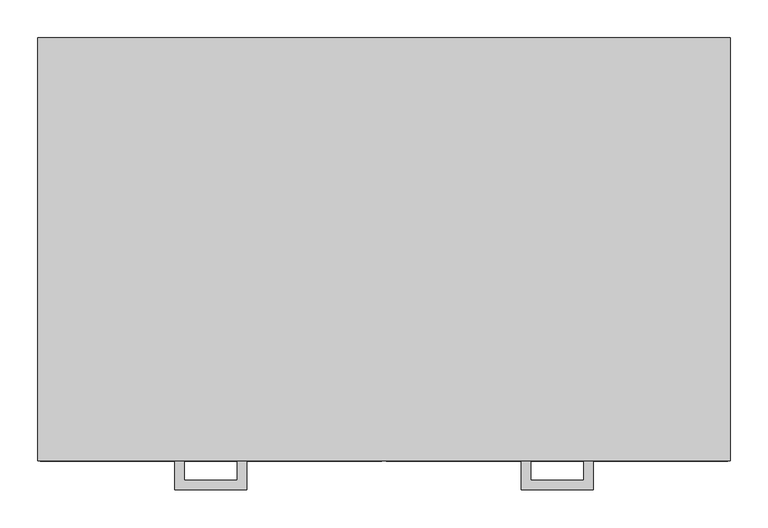
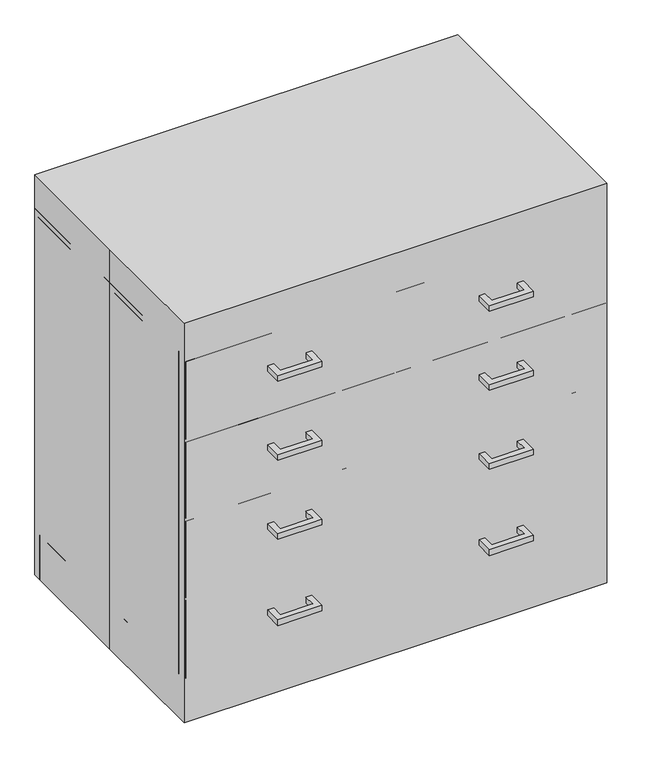
"""IFC4 building model written with IfcOpenShell, lengths in millimetres: proxy geometry."""

from ifc_helpers import new_model, si_unit, frame, origin, origin_with_axes, place, context, project, spatial, polyline, outline, extrude, source, transform, mapped, element, save


def specialty_equipment_730f7dde(model_context):
    return source(origin(), model_context, "Body", "SweptSolid", [
        extrude(outline(polyline([(-180.975, -317.5), (-276.225, -317.5), (-276.225, -279.4), (-263.5409299, -279.4), (-263.5409299, -304.8159299), (-193.6590701, -304.8159299), (-193.6590701, -279.4), (-180.975, -279.4), (-180.975, -317.5)])), frame((0.0, 0.0, 379.4125), z_axis=(0.0, 0.0, 1.0), x_axis=(1.0, 0.0, 0.0)), (0.0, 0.0, 1.0), 12.7),
        extrude(outline(polyline([(-180.975, -317.5), (-276.225, -317.5), (-276.225, -279.4), (-263.5409299, -279.4), (-263.5409299, -304.8159299), (-193.6590701, -304.8159299), (-193.6590701, -279.4), (-180.975, -279.4), (-180.975, -317.5)])), frame((0.0, 0.0, 560.3793692), z_axis=(0.0, 0.0, 1.0), x_axis=(1.0, 0.0, 0.0)), (0.0, 0.0, 1.0), 12.7),
        extrude(outline(polyline([(-180.975, -317.5), (-276.225, -317.5), (-276.225, -279.4), (-263.5409299, -279.4), (-263.5409299, -304.8159299), (-193.6590701, -304.8159299), (-193.6590701, -279.4), (-180.975, -279.4), (-180.975, -317.5)])), frame((0.0, 0.0, 182.5787617), z_axis=(0.0, 0.0, 1.0), x_axis=(1.0, 0.0, 0.0)), (0.0, 0.0, 1.0), 12.7),
        extrude(outline(polyline([(-180.975, -317.5), (-276.225, -317.5), (-276.225, -279.4), (-263.5409299, -279.4), (-263.5409299, -304.8159299), (-193.6590701, -304.8159299), (-193.6590701, -279.4), (-180.975, -279.4), (-180.975, -317.5)])), frame((0.0, 0.0, 741.3462383), z_axis=(0.0, 0.0, 1.0), x_axis=(1.0, 0.0, 0.0)), (0.0, 0.0, 1.0), 12.7),
        extrude(outline(polyline([(180.975, -317.5), (180.975, -279.4), (193.6590701, -279.4), (193.6590701, -304.8159299), (263.5409299, -304.8159299), (263.5409299, -279.4), (276.225, -279.4), (276.225, -317.5), (180.975, -317.5)])), frame((0.0, 0.0, 379.4125), z_axis=(0.0, 0.0, 1.0), x_axis=(1.0, 0.0, 0.0)), (0.0, 0.0, 1.0), 12.7),
        extrude(outline(polyline([(180.975, -317.5), (180.975, -279.4), (193.6590701, -279.4), (193.6590701, -304.8159299), (263.5409299, -304.8159299), (263.5409299, -279.4), (276.225, -279.4), (276.225, -317.5), (180.975, -317.5)])), frame((0.0, 0.0, 560.3793692), z_axis=(0.0, 0.0, 1.0), x_axis=(1.0, 0.0, 0.0)), (0.0, 0.0, 1.0), 12.7),
        extrude(outline(polyline([(180.975, -317.5), (180.975, -279.4), (193.6590701, -279.4), (193.6590701, -304.8159299), (263.5409299, -304.8159299), (263.5409299, -279.4), (276.225, -279.4), (276.225, -317.5), (180.975, -317.5)])), frame((0.0, 0.0, 182.5787617), z_axis=(0.0, 0.0, 1.0), x_axis=(1.0, 0.0, 0.0)), (0.0, 0.0, 1.0), 12.7),
        extrude(outline(polyline([(180.975, -317.5), (180.975, -279.4), (193.6590701, -279.4), (193.6590701, -304.8159299), (263.5409299, -304.8159299), (263.5409299, -279.4), (276.225, -279.4), (276.225, -317.5), (180.975, -317.5)])), frame((0.0, 0.0, 741.3462383), z_axis=(0.0, 0.0, 1.0), x_axis=(1.0, 0.0, 0.0)), (0.0, 0.0, 1.0), 12.7),
        extrude(outline(polyline([(-457.2, 279.4), (457.2, 279.4), (457.2, -279.4), (-457.2, -279.4), (-457.2, 0.0), (-457.2, 279.4)])), origin_with_axes(), (0.0, 0.0, 1.0), 914.4),
        extrude(outline(polyline([(438.15, 279.4), (438.15, -260.35), (-438.15, -260.35), (-438.15, 279.4), (438.15, 279.4)])), frame((0.0, 0.0, 120.7166954), z_axis=(0.0, 0.0, 1.0), x_axis=(1.0, 0.0, 0.0)), (0.0, 0.0, 1.0), 704.7507813),
        extrude(outline(polyline([(-3.175, -279.4), (-454.025, -279.4), (-454.025, -260.35), (-3.175, -260.35), (-3.175, -279.4)])), frame((0.0, 0.0, 285.7418692), z_axis=(0.0, 0.0, 1.0), x_axis=(1.0, 0.0, 0.0)), (0.0, 0.0, 1.0), 174.6168692),
        extrude(outline(polyline([(-3.175, -279.4), (-454.025, -279.4), (-454.025, -260.35), (-3.175, -260.35), (-3.175, -279.4)])), frame((0.0, 0.0, 466.7087383), z_axis=(0.0, 0.0, 1.0), x_axis=(1.0, 0.0, 0.0)), (0.0, 0.0, 1.0), 174.6168692),
        extrude(outline(polyline([(-3.175, -279.4), (-454.025, -279.4), (-454.025, -260.35), (-3.175, -260.35), (-3.175, -279.4)])), frame((0.0, 0.0, 101.6), z_axis=(0.0, 0.0, 1.0), x_axis=(1.0, 0.0, 0.0)), (0.0, 0.0, 1.0), 177.7918692),
        extrude(outline(polyline([(-438.15, 279.4), (-438.15, -260.35), (-457.2, -260.35), (-457.2, 279.4), (-438.15, 279.4)])), frame((0.0, 0.0, 101.6), z_axis=(0.0, 0.0, 1.0), x_axis=(1.0, 0.0, 0.0)), (0.0, 0.0, 1.0), 723.8674767),
        extrude(outline(polyline([(-3.175, -279.4), (-454.025, -279.4), (-454.025, -260.35), (-3.175, -260.35), (-3.175, -279.4)])), frame((0.0, 0.0, 647.6756075), z_axis=(0.0, 0.0, 1.0), x_axis=(1.0, 0.0, 0.0)), (0.0, 0.0, 1.0), 177.7918692),
        extrude(outline(polyline([(454.025, -279.4), (3.175, -279.4), (3.175, -260.35), (454.025, -260.35), (454.025, -279.4)])), frame((0.0, 0.0, 285.7418692), z_axis=(0.0, 0.0, 1.0), x_axis=(1.0, 0.0, 0.0)), (0.0, 0.0, 1.0), 174.6168692),
        extrude(outline(polyline([(454.025, -279.4), (3.175, -279.4), (3.175, -260.35), (454.025, -260.35), (454.025, -279.4)])), frame((0.0, 0.0, 466.7087383), z_axis=(0.0, 0.0, 1.0), x_axis=(1.0, 0.0, 0.0)), (0.0, 0.0, 1.0), 174.6168692),
        extrude(outline(polyline([(454.025, -279.4), (3.175, -279.4), (3.175, -260.35), (454.025, -260.35), (454.025, -279.4)])), frame((0.0, 0.0, 101.6), z_axis=(0.0, 0.0, 1.0), x_axis=(1.0, 0.0, 0.0)), (0.0, 0.0, 1.0), 177.7918692),
        extrude(outline(polyline([(-457.2, -184.15), (-457.2, 279.4), (-438.15, 279.4), (-438.15, -184.15), (-457.2, -184.15)])), origin_with_axes(), (0.0, 0.0, 1.0), 101.6),
        extrude(outline(polyline([(438.15, -184.15), (438.15, 279.4), (457.2, 279.4), (457.2, -184.15), (438.15, -184.15)])), origin_with_axes(), (0.0, 0.0, 1.0), 101.6),
        extrude(outline(polyline([(438.15, -260.35), (438.15, 279.4), (457.2, 279.4), (457.2, -260.35), (438.15, -260.35)])), frame((0.0, 0.0, 101.6), z_axis=(0.0, 0.0, 1.0), x_axis=(1.0, 0.0, 0.0)), (0.0, 0.0, 1.0), 723.8674767),
        extrude(outline(polyline([(-457.2, -260.35), (-457.2, 279.4), (-438.15, 279.4), (-438.15, -260.35), (-457.2, -260.35)])), frame((0.0, 0.0, 101.6), z_axis=(0.0, 0.0, 1.0), x_axis=(1.0, 0.0, 0.0)), (0.0, 0.0, 1.0), 723.8674767),
        extrude(outline(polyline([(454.025, -279.4), (3.175, -279.4), (3.175, -260.35), (454.025, -260.35), (454.025, -279.4)])), frame((0.0, 0.0, 647.6756075), z_axis=(0.0, 0.0, 1.0), x_axis=(1.0, 0.0, 0.0)), (0.0, 0.0, 1.0), 177.7918692),
        extrude(outline(polyline([(457.2, 279.4), (457.2, -260.35), (-457.2, -260.35), (-457.2, 279.4), (457.2, 279.4)])), frame((0.0, 0.0, 825.4674767), z_axis=(0.0, 0.0, 1.0), x_axis=(1.0, 0.0, 0.0)), (0.0, 0.0, 1.0), 12.7325233),
        extrude(outline(polyline([(457.2, -203.2), (-457.2, -203.2), (-457.2, -184.15), (457.2, -184.15), (457.2, -203.2)])), origin_with_axes(), (0.0, 0.0, 1.0), 101.6),
        extrude(outline(polyline([(457.2, 260.35), (-457.2, 260.35), (-457.2, 279.4), (457.2, 279.4), (457.2, 260.35)])), origin_with_axes(), (0.0, 0.0, 1.0), 101.6),
        extrude(outline(polyline([(438.15, 260.35), (438.15, -260.35), (-438.15, -260.35), (-438.15, 260.35), (438.15, 260.35)])), frame((0.0, 0.0, 101.6), z_axis=(0.0, 0.0, 1.0), x_axis=(1.0, 0.0, 0.0)), (0.0, 0.0, 1.0), 19.1166954),
        extrude(outline(polyline([(438.15, 260.35), (-438.15, 260.35), (-438.15, 279.4), (438.15, 279.4), (438.15, 260.35)])), frame((0.0, 0.0, 101.6), z_axis=(0.0, 0.0, 1.0), x_axis=(1.0, 0.0, 0.0)), (0.0, 0.0, 1.0), 704.8174767),
    ])


if __name__ == "__main__":
    model = new_model("IFC4")
    model_context = context("Model", 3, world=origin())
    ifc_project = project(units=[si_unit("LENGTHUNIT", "METRE", prefix="MILLI")], contexts=[model_context])
    site = spatial("IfcSite", under=ifc_project)
    building = spatial("IfcBuilding", under=site)
    placement = place(None, origin())
    specialty_equipment_shape = specialty_equipment_730f7dde(model_context)
    element("IfcBuildingElementProxy", 1, Name="Specialty Equipment", at=placement, inside=building, context=model_context, shape_type="MappedRepresentation", body=[
        mapped(specialty_equipment_shape, transform((0.0, 0.0, 0.0), x_axis=(1.0, 0.0, 0.0), y_axis=(0.0, 1.0, 0.0), z_axis=(0.0, 0.0, 1.0))),
    ])
    save(model, "model.ifc")
